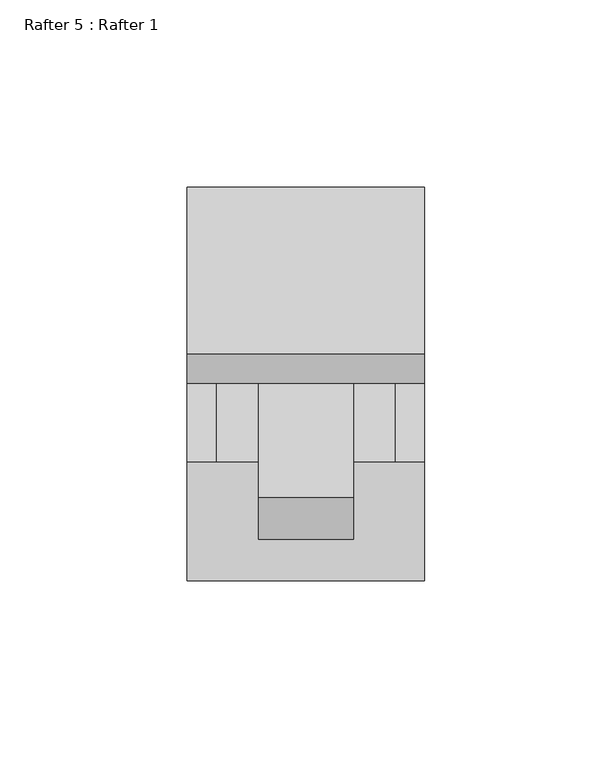
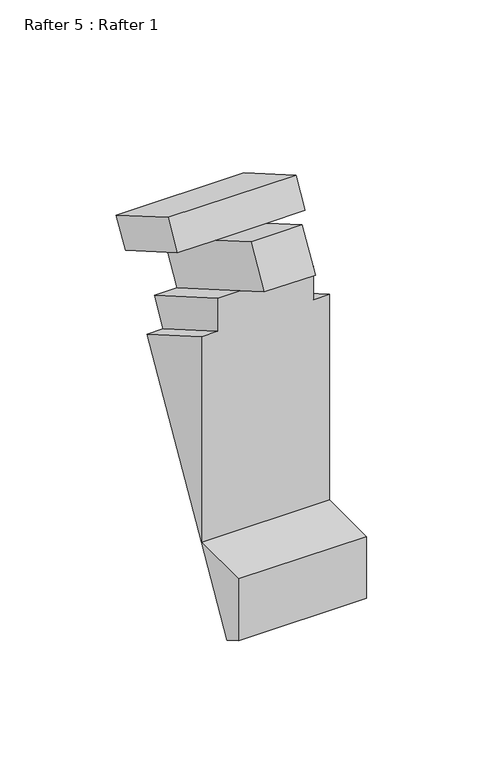
"""IFC4 building model written with IfcOpenShell, lengths in millimetres: proxy geometry, Rafter 5 : Rafter 1."""

from ifc_helpers import new_model, si_unit, origin, place, context, project, spatial, faceted_brep, source, transform, mapped, element, save


def rafter_5_rafter_1_25609c5d(model_context):
    return source(origin(), model_context, "Body", "Brep", [
        faceted_brep([(10046.0552127, -20234.9823477, 1095.3217531), (9982.5552127, -20234.9823477, 1095.3217531), (9982.5552127, -20212.9830671, 1133.4256248), (9982.5552127, -20166.3134477, 1214.2597768), (9990.4800127, -20166.3134477, 1214.2597768), (9990.4800127, -20158.7823477, 1227.3040246), (10001.6052127, -20158.7823477, 1227.3040246), (10001.6052127, -20147.5428477, 1246.7714097), (9982.5552127, -20147.5428477, 1246.7714097), (9982.5552127, -20139.6053477, 1260.5195629), (10046.0552127, -20139.6053477, 1260.5195629), (10046.0552127, -20147.5428477, 1246.7714097), (10027.0052127, -20147.5428477, 1246.7714097), (10027.0052127, -20158.7823477, 1227.3040246), (10038.1304127, -20158.7823477, 1227.3040246), (10038.1304127, -20166.3134477, 1214.2597768), (10046.0552127, -20166.3134477, 1214.2597768), (10046.0552127, -20212.9830671, 1133.4256248), (10046.0552127, -20212.9830671, 1241.2044941), (10046.0552127, -20244.7080627, 1133.4256248), (10046.0552127, -20244.7080627, 1100.9368972), (9982.5552127, -20244.7080627, 1100.9368972), (9982.5552127, -20244.7080627, 1133.4256248), (9982.5552127, -20212.9830671, 1241.2044941), (9990.4800127, -20212.9830671, 1241.2044941), (9990.4800127, -20212.9830671, 1258.5968245), (10001.6052127, -20212.9830671, 1258.5968245), (10001.6052127, -20233.6631919, 1270.5365002), (10001.6052127, -20222.4236919, 1290.0038852), (10001.6052127, -20191.989582, 1272.4327437), (9982.5552127, -20191.989582, 1272.4327437), (9982.5552127, -20184.052082, 1286.1808969), (10046.0552127, -20184.052082, 1286.1808969), (10046.0552127, -20191.989582, 1272.4327437), (10027.0052127, -20191.989582, 1272.4327437), (10027.0052127, -20222.4236919, 1290.0038852), (10027.0052127, -20233.6631919, 1270.5365002), (10027.0052127, -20212.9830671, 1258.5968245), (10038.1304127, -20212.9830671, 1258.5968245), (10038.1304127, -20212.9830671, 1241.2044941)], [[[0, 1, 2, 3, 4, 5, 6, 7, 8, 9, 10, 11, 12, 13, 14, 15, 16, 17]], [[17, 16, 18]], [[0, 17, 19, 20]], [[1, 0, 20, 21]], [[2, 1, 21, 22]], [[3, 2, 23]], [[4, 3, 23, 24]], [[5, 4, 24, 25]], [[6, 5, 25, 26]], [[7, 6, 26, 27, 28, 29]], [[8, 7, 29, 30]], [[9, 8, 30, 31]], [[10, 9, 31, 32]], [[11, 10, 32, 33]], [[12, 11, 33, 34]], [[13, 12, 34, 35, 36, 37]], [[14, 13, 37, 38]], [[15, 14, 38, 39]], [[16, 15, 39, 18]], [[19, 22, 21, 20]], [[29, 34, 33, 32, 31, 30]], [[34, 29, 28, 35]], [[35, 28, 27, 36]], [[36, 27, 26, 37]], [[2, 17, 18, 39, 38, 37, 26, 25, 24, 23]], [[22, 19, 17, 2]]]),
    ])


if __name__ == "__main__":
    model = new_model("IFC4")
    model_context = context("Model", 3, world=origin())
    ifc_project = project(units=[si_unit("LENGTHUNIT", "METRE", prefix="MILLI")], contexts=[model_context])
    site = spatial("IfcSite", under=ifc_project)
    building = spatial("IfcBuilding", under=site)
    placement = place(None, origin())
    rafter_5_rafter_1_shape = rafter_5_rafter_1_25609c5d(model_context)
    element("IfcBuildingElementProxy", 1, Name="Rafter 5 : Rafter 1", ObjectType="Rafter 5 : Rafter 1", at=placement, inside=building, context=model_context, shape_type="MappedRepresentation", body=[
        mapped(rafter_5_rafter_1_shape, transform((0.0, 0.0, 0.0), x_axis=(1.0, 0.0, 0.0), y_axis=(0.0, 1.0, 0.0), z_axis=(0.0, 0.0, 1.0))),
    ])
    save(model, "model.ifc")
